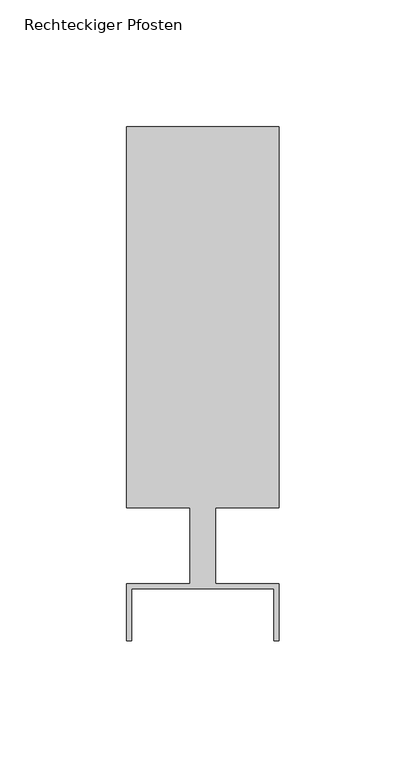
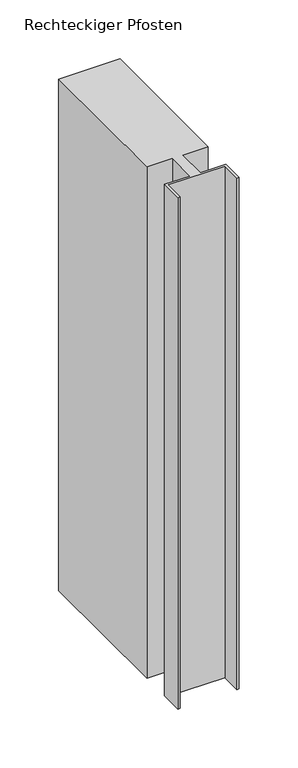
"""IFC4 building model written with IfcOpenShell, lengths in millimetres: member geometry, Rechteckiger Pfosten."""

from ifc_helpers import new_model, si_unit, frame, origin, place, context, project, spatial, polyline, outline, extrude, source, transform, mapped, element, save


def rechteckiger_pfosten_aa1eb0c1(model_context):
    return source(origin(), model_context, "Body", "SweptSolid", [
        extrude(outline(polyline([(-2.0, -37.5), (-2.0, -17.0), (-58.0, -17.0), (-58.0, -37.5), (-60.0, -37.5), (-60.0, -15.0), (-35.0, -15.0), (-35.0, 15.0), (-60.0, 15.0), (-60.0, 165.0), (0.0, 165.0), (0.0, 15.0), (-25.0, 15.0), (-25.0, -15.0), (0.0, -15.0), (0.0, -37.5), (-2.0, -37.5)])), frame((0.0, 0.0, -530.0), z_axis=(0.0, 0.0, 1.0), x_axis=(1.0, 0.0, 0.0)), (0.0, 0.0, 1.0), 530.0),
    ])


if __name__ == "__main__":
    model = new_model("IFC4")
    model_context = context("Model", 3, world=origin())
    ifc_project = project(units=[si_unit("LENGTHUNIT", "METRE", prefix="MILLI")], contexts=[model_context])
    site = spatial("IfcSite", under=ifc_project)
    building = spatial("IfcBuilding", under=site)
    placement = place(None, origin())
    rechteckiger_pfosten_shape = rechteckiger_pfosten_aa1eb0c1(model_context)
    element("IfcMember", 1, ObjectType="Rechteckiger Pfosten", at=placement, inside=building, context=model_context, shape_type="MappedRepresentation", body=[
        mapped(rechteckiger_pfosten_shape, transform((0.0, 0.0, 0.0), x_axis=(1.0, 0.0, 0.0), y_axis=(0.0, 1.0, 0.0), z_axis=(0.0, 0.0, 1.0))),
    ])
    save(model, "model.ifc")
